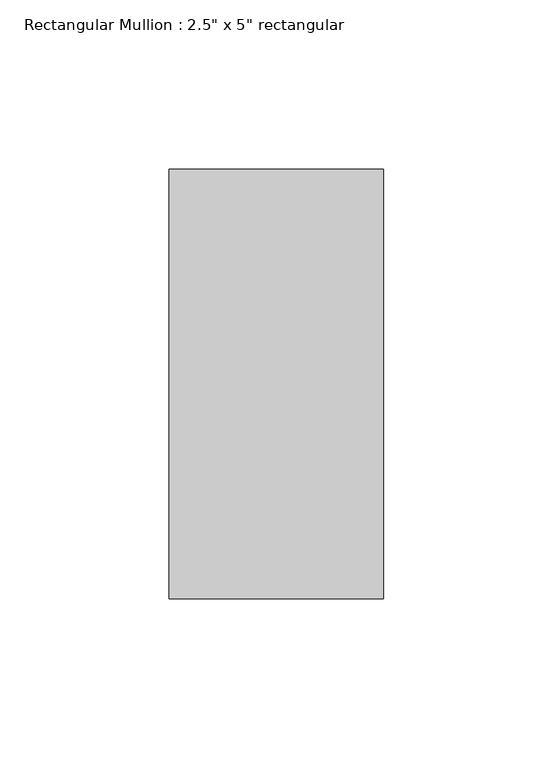
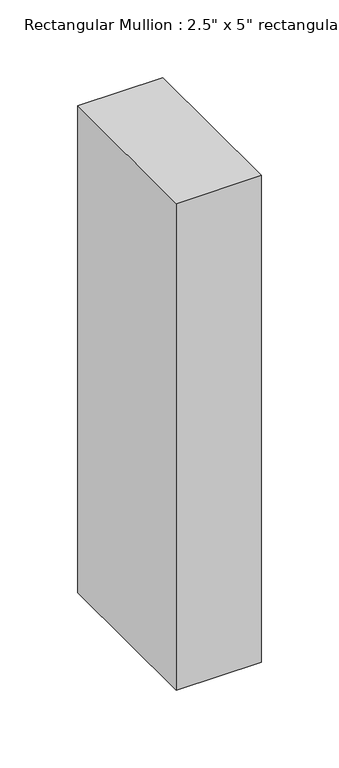
"""IFC4 building model written with IfcOpenShell, lengths in millimetres: member geometry."""

from ifc_helpers import new_model, si_unit, frame, origin, place, context, project, spatial, polyline, outline, extrude, source, transform, mapped, element, save


def member_2293d3ee(model_context):
    return source(origin(), model_context, "Body", "SweptSolid", [
        extrude(outline(polyline([(0.0, 63.5), (0.0, -63.5), (-63.5, -63.5), (-63.5, 63.5), (0.0, 63.5)])), frame((0.0, 0.0, -383.1166667), z_axis=(0.0, 0.0, 1.0), x_axis=(1.0, 0.0, 0.0)), (0.0, 0.0, 1.0), 383.1166667),
    ])


if __name__ == "__main__":
    model = new_model("IFC4")
    model_context = context("Model", 3, world=origin())
    ifc_project = project(units=[si_unit("LENGTHUNIT", "METRE", prefix="MILLI")], contexts=[model_context])
    site = spatial("IfcSite", under=ifc_project)
    building = spatial("IfcBuilding", under=site)
    placement = place(None, origin())
    member_shape = member_2293d3ee(model_context)
    element("IfcMember", 1, ObjectType="Rectangular Mullion : 2.5\" x 5\" rectangular", at=placement, inside=building, context=model_context, shape_type="MappedRepresentation", body=[
        mapped(member_shape, transform((0.0, 0.0, 0.0), x_axis=(1.0, 0.0, 0.0), y_axis=(0.0, 1.0, 0.0), z_axis=(0.0, 0.0, 1.0))),
    ])
    save(model, "model.ifc")
